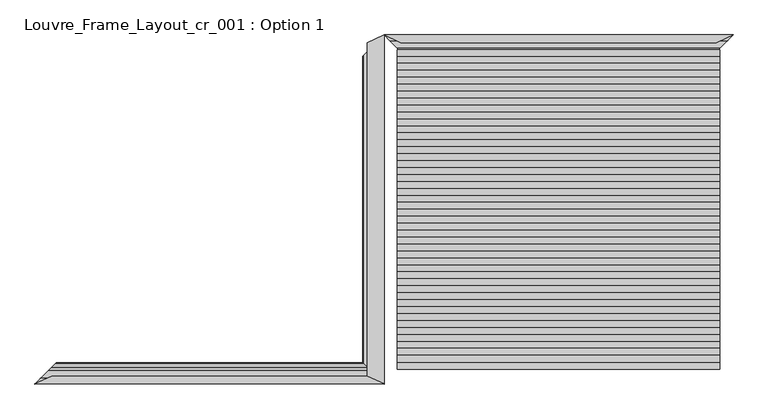
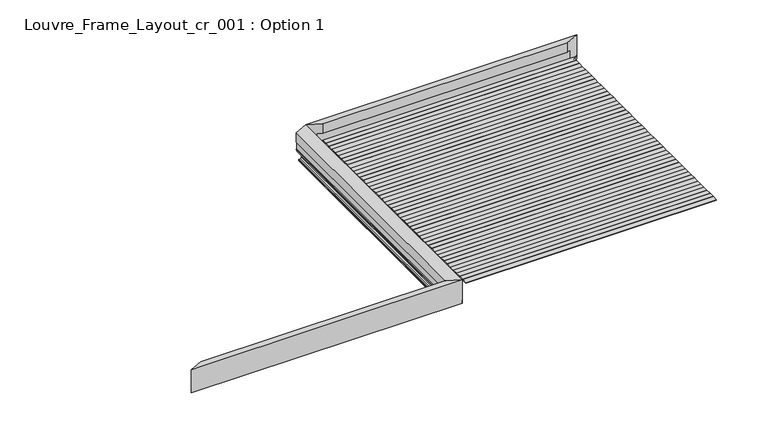
"""IFC4 building model written with IfcOpenShell, lengths in millimetres: proxy geometry, Louvre_Frame_Layout_cr_001 : Option 1."""

from ifc_helpers import new_model, si_unit, frame, origin, place, context, project, spatial, polyline, ellipse_curve, outline, extrude, source, transform, mapped, element, save
from ifc_brep_helpers import plane_surface, cylinder_surface, revolved_surface, advanced_brep


def louvre_frame_layout_cr_001_option_1_17656497(model_context):
    return source(origin(), model_context, "Body", "SolidModel", [
        advanced_brep(
        [(-57.3003291, -1802.6996709, 38.8575344), (0.0, -1860.0, 38.8575344), (0.0, -1860.0, 0.0), (-150.1057157, -1709.8942843, 0.0), (-215.1781305, -1644.8218695, 26.1870213), (-215.1781305, -1644.8218695, 39.3616238), (-214.5111661, -1645.4888339, 40.0285881), (-208.9378388, -1651.0621612, 40.0285881), (-208.2708744, -1651.7291256, 39.3616238), (-208.2708744, -1651.7291256, 25.5580129), (-163.205011, -1696.794989, 7.4266447), (-135.1800041, -1724.8199959, 2.0018958), (-56.9994313, -1803.0005687, 2.0018958), (-51.9945897, -1808.0054103, 7.0067374), (-51.9945897, -1808.0054103, 36.2093165), (-52.5783381, -1807.4216619, 36.793065), (-55.2974109, -1804.7025891, 36.793065), (-3444.7025891, -1804.7025891, 36.793065), (-3447.4216619, -1807.4216619, 36.793065), (-3448.0054103, -1808.0054103, 36.2093165), (-3448.0054103, -1808.0054103, 7.0067374), (-3443.0005687, -1803.0005687, 2.0018958), (-3364.8199959, -1724.8199959, 2.0018958), (-3336.794989, -1696.794989, 7.4266447), (-3291.7291256, -1651.7291256, 25.5580129), (-3291.7291256, -1651.7291256, 39.3616238), (-3291.0621612, -1651.0621612, 40.0285881), (-3285.4888339, -1645.4888339, 40.0285881), (-3284.8218695, -1644.8218695, 39.3616238), (-3284.8218695, -1644.8218695, 26.1870213), (-3349.8942843, -1709.8942843, 0.0), (-3500.0, -1860.0, 0.0), (-3500.0, -1860.0, 38.8575344), (-3442.6996709, -1802.6996709, 38.8575344), (-3330.2950263, -1780.0512704, 316.6276048), (-169.7049737, -1780.0512704, 316.6276048), (-169.7049737, -1780.0512704, 186.7535382), (-3330.2950263, -1780.0512704, 186.7535382), (-110.3674882, -1808.0054103, 186.7535382), (-3389.6325118, -1808.0054103, 186.7535382), (-110.3674882, -1808.0054103, 66.9467725), (-3389.6325118, -1808.0054103, 66.9467725), (-111.6885783, -1807.3830392, 66.3244014), (-3388.3114217, -1807.3830392, 66.3244014), (-117.3778622, -1804.7027935, 66.3244014), (-3382.6221378, -1804.7027935, 66.3244014), (-121.6298357, -1802.6996709, 64.3212787), (-3378.3701643, -1802.6996709, 64.3212787), (-121.6298357, -1802.6996709, 38.7959832), (-3378.3701643, -1802.6996709, 38.7959832), (0.0, -1860.0, 40.0285881), (0.0, -1860.0, 316.6276048), (-3500.0, -1860.0, 316.6276048), (-3500.0, -1860.0, 40.0285881)],
        [
            (0, 1),
            (1, 2),
            (2, 3),
            (3, 4),
            (4, 5),
            (5, 6, ellipse_curve(frame((-214.5111661, -1645.4888339, 39.3616238), z_axis=(0.7071067811864487, 0.7071067811866465, 0.0), x_axis=(0.7071067811866463, -0.7071067811864488, 0.0)), 0.94323, 0.6669644)),
            (6, 7),
            (7, 8, ellipse_curve(frame((-208.9378388, -1651.0621612, 39.3616238), z_axis=(0.7071067811864487, 0.7071067811866465, 0.0), x_axis=(0.7071067811866463, -0.7071067811864488, 0.0)), 0.94323, 0.6669644)),
            (8, 9),
            (9, 10),
            (10, 11, ellipse_curve(frame((-135.1880146, -1724.8119854, 77.0634267), z_axis=(-0.7071067811864487, -0.7071067811866465, 0.0), x_axis=(-0.7071067811866463, 0.7071067811864488, 0.0)), 106.1530357, 75.0615314)),
            (11, 12),
            (12, 13, ellipse_curve(frame((-56.9994313, -1803.0005687, 7.0067374), z_axis=(-0.7071067811864487, -0.7071067811866465, 0.0), x_axis=(-0.7071067811866463, 0.7071067811864488, 0.0)), 7.0779149, 5.0048416)),
            (13, 14),
            (14, 15, ellipse_curve(frame((-52.5783381, -1807.4216619, 36.2093165), z_axis=(-0.7071067811864487, -0.7071067811866465, 0.0), x_axis=(-0.7071067811866463, 0.7071067811864488, 0.0)), 0.825545, 0.5837485)),
            (15, 16),
            (16, 0, ellipse_curve(frame((-55.2974109, -1804.7025891, 38.7959832), z_axis=(0.7071067811864487, 0.7071067811866465, 0.0), x_axis=(0.7071067811866463, -0.7071067811864488, 0.0)), 2.832554, 2.0029182)),
            (17, 18),
            (18, 19, ellipse_curve(frame((-3447.4216619, -1807.4216619, 36.2093165), z_axis=(0.7071067811866565, -0.7071067811864387, 0.0), x_axis=(-0.7071067811864385, -0.7071067811866565, 0.0)), 0.825545, 0.5837485)),
            (19, 20),
            (20, 21, ellipse_curve(frame((-3443.0005687, -1803.0005687, 7.0067374), z_axis=(0.7071067811866565, -0.7071067811864387, 0.0), x_axis=(-0.7071067811864385, -0.7071067811866565, 0.0)), 7.0779149, 5.0048416)),
            (21, 22),
            (22, 23, ellipse_curve(frame((-3364.8119854, -1724.8119854, 77.0634267), z_axis=(0.7071067811866565, -0.7071067811864387, 0.0), x_axis=(-0.7071067811864385, -0.7071067811866565, 0.0)), 106.1530357, 75.0615314)),
            (23, 24),
            (24, 25),
            (25, 26, ellipse_curve(frame((-3291.0621612, -1651.0621612, 39.3616238), z_axis=(-0.7071067811866565, 0.7071067811864387, 0.0), x_axis=(0.7071067811864385, 0.7071067811866565, 0.0)), 0.94323, 0.6669644)),
            (26, 27),
            (27, 28, ellipse_curve(frame((-3285.4888339, -1645.4888339, 39.3616238), z_axis=(-0.7071067811866565, 0.7071067811864387, 0.0), x_axis=(0.7071067811864385, 0.7071067811866565, 0.0)), 0.94323, 0.6669644)),
            (28, 29),
            (29, 30),
            (30, 31),
            (31, 32),
            (32, 33),
            (33, 17, ellipse_curve(frame((-3444.7025891, -1804.7025891, 38.7959832), z_axis=(-0.7071067811866565, 0.7071067811864387, 0.0), x_axis=(0.7071067811864385, 0.7071067811866565, 0.0)), 2.832554, 2.0029182)),
            (34, 35),
            (35, 36),
            (36, 37),
            (37, 34),
            (36, 38),
            (38, 39),
            (39, 37),
            (38, 40),
            (40, 41),
            (41, 39),
            (40, 42, ellipse_curve(frame((-111.6885783, -1807.3830392, 66.9467725), z_axis=(0.42617915109134935, 0.90463878491642, 0.0), x_axis=(-0.9046387849164201, 0.42617915109134935, 0.0)), 1.460351, 0.6223711)),
            (42, 43),
            (43, 41, ellipse_curve(frame((-3388.3114217, -1807.3830392, 66.9467725), z_axis=(-0.42617915109109333, 0.9046387849165407, 0.0), x_axis=(-0.9046387849165406, -0.42617915109109333, 0.0)), 1.460351, 0.6223711)),
            (42, 44),
            (44, 45),
            (45, 43),
            (44, 46, ellipse_curve(frame((-117.3778622, -1804.7027935, 64.3212787), z_axis=(-0.42617915109134935, -0.90463878491642, 0.0), x_axis=(0.9046387849164201, -0.42617915109134935, 0.0)), 4.7001892, 2.0031227)),
            (46, 47),
            (47, 45, ellipse_curve(frame((-3382.6221378, -1804.7027935, 64.3212787), z_axis=(0.42617915109109333, -0.9046387849165407, 0.0), x_axis=(0.9046387849165406, 0.42617915109109333, 0.0)), 4.7001892, 2.0031227)),
            (46, 48),
            (48, 49),
            (49, 47),
            (16, 17),
            (33, 49),
            (48, 0),
            (15, 18),
            (14, 19),
            (13, 20),
            (12, 21),
            (11, 22),
            (10, 23),
            (9, 24),
            (8, 25),
            (7, 26),
            (6, 27),
            (5, 28),
            (4, 29),
            (3, 30),
            (2, 31),
            (1, 50),
            (50, 51),
            (51, 52),
            (52, 53),
            (53, 32),
            (51, 35),
            (34, 52),
            (32, 49),
            (48, 1),
        ],
        [
            plane_surface(frame((0.0, -1860.0, 40.0285881), z_axis=(0.7071067811864487, 0.7071067811866465, 0.0), x_axis=(0.0, 0.0, -1.0))),
            plane_surface(frame((-3241.9060249, -1601.9060249, 40.0285881), z_axis=(-0.7071067811866565, 0.7071067811864387, 0.0), x_axis=(0.0, 0.0, -1.0))),
            plane_surface(frame((0.0, -1780.0512704, 316.6276048), z_axis=(0.0, 1.0, 0.0), x_axis=(-1.0, 0.0, 0.0))),
            plane_surface(frame((0.0, -1780.0512704, 186.7535382), z_axis=(0.0, 0.0, -1.0), x_axis=(-1.0, 0.0, 0.0))),
            plane_surface(frame((0.0, -1808.0054103, 186.7535382), z_axis=(0.0, 1.0, 0.0), x_axis=(-1.0, 0.0, 0.0))),
            revolved_surface(polyline([(-3389.6325118541918, -1806.7606681, 66.9467725), (-110.36748814580852, -1806.7606681, 66.9467725)]), (0.0, -1807.3830392, 66.9467725), (-1.0, 0.0, 0.0)),
            plane_surface(frame((0.0, -1807.3830392, 66.3244014), z_axis=(0.0, 0.0, 1.0), x_axis=(-1.0, 0.0, 0.0))),
            cylinder_surface(frame((0.0, -1804.7027935, 64.3212787), z_axis=(1.0, 0.0, 0.0), x_axis=(0.0, 1.0, 0.0)), 2.0031227),
            plane_surface(frame((0.0, -1802.6996709, 64.3212787), z_axis=(0.0, 1.0, 0.0), x_axis=(-1.0, 0.0, 0.0))),
            cylinder_surface(frame((0.0, -1804.7025891, 38.7959832), z_axis=(1.0, 0.0, 0.0), x_axis=(0.0, 1.0, 0.0)), 2.0029182),
            plane_surface(frame((0.0, -1804.7025891, 36.793065), z_axis=(0.0, 0.0, -1.0), x_axis=(-1.0, 0.0, 0.0))),
            revolved_surface(polyline([(-3448.0054103676744, -1806.8379134, 36.2093165), (-51.99458963232527, -1806.8379134, 36.2093165)]), (0.0, -1807.4216619, 36.2093165), (-1.0, 0.0, 0.0)),
            plane_surface(frame((0.0, -1808.0054103, 36.2093165), z_axis=(0.0, 1.0, 0.0), x_axis=(-1.0, 0.0, 0.0))),
            revolved_surface(polyline([(-3448.00541032245, -1797.9957271, 7.0067374), (-51.99458967754799, -1797.9957271, 7.0067374)]), (0.0, -1803.0005687, 7.0067374), (-1.0, 0.0, 0.0)),
            plane_surface(frame((0.0, -1803.0005687, 2.0018958), z_axis=(0.0, 0.0, 1.0), x_axis=(-1.0, 0.0, 0.0))),
            revolved_surface(polyline([(-3439.8735167869963, -1649.750454, 77.0634267), (-60.12648321298185, -1649.750454, 77.0634267)]), (0.0, -1724.8119854, 77.0634267), (-1.0, 0.0, 0.0)),
            plane_surface(frame((0.0, -1696.794989, 7.4266447), z_axis=(0.0, -0.37325372835204085, 0.9277293001039155), x_axis=(-1.0, 0.0, 0.0))),
            plane_surface(frame((0.0, -1651.7291256, 25.5580129), z_axis=(0.0, -1.0, 0.0), x_axis=(-1.0, 0.0, 0.0))),
            cylinder_surface(frame((0.0, -1651.0621612, 39.3616238), z_axis=(1.0, 0.0, 0.0), x_axis=(0.0, 1.0, 0.0)), 0.6669644),
            plane_surface(frame((0.0, -1651.0621612, 40.0285881), z_axis=(0.0, 0.0, 1.0), x_axis=(-1.0, 0.0, 0.0))),
            cylinder_surface(frame((0.0, -1645.4888339, 39.3616238), z_axis=(1.0, 0.0, 0.0), x_axis=(0.0, -1.0, 0.0)), 0.6669644),
            plane_surface(frame((0.0, -1644.8218695, 39.3616238), z_axis=(0.0, 1.0, 0.0), x_axis=(-1.0, 0.0, 0.0))),
            plane_surface(frame((0.0, -1644.8218695, 26.1870213), z_axis=(0.0, 0.3733323631651337, -0.927697659053604), x_axis=(-1.0, 0.0, 0.0))),
            plane_surface(frame((0.0, -1709.8942843, 0.0), z_axis=(0.0, 0.0, -1.0), x_axis=(-1.0, 0.0, 0.0))),
            plane_surface(frame((0.0, -1860.0, 0.0), z_axis=(0.0, -1.0, 0.0), x_axis=(-1.0, 0.0, 0.0))),
            plane_surface(frame((0.0, -1860.0, 316.6276048), z_axis=(0.0, 0.0, 1.0), x_axis=(-1.0, 0.0, 0.0))),
            plane_surface(frame((-3500.0, -1860.0, 38.8575344), z_axis=(0.0, 0.0, 1.0), x_axis=(0.9046387849165407, 0.42617915109109333, 0.0))),
            plane_surface(frame((-3330.2950263, -1780.0512704, 398.4370867), z_axis=(-0.42617915109109333, 0.9046387849165407, 0.0), x_axis=(0.0, 0.0, -1.0))),
            plane_surface(frame((0.0, -1780.0512704, 38.8575344), z_axis=(0.0, 0.0, 1.0), x_axis=(-1.0, 0.0, 0.0))),
            plane_surface(frame((0.0, -1860.0, 398.4370867), z_axis=(0.42617915109134935, 0.90463878491642, 0.0), x_axis=(0.0, 0.0, -1.0))),
        ],
        [
            (0, [[1, 2, 3, 4, 5, 6, 7, 8, 9, 10, 11, 12, 13, 14, 15, 16, 17]]),
            (1, [[18, 19, 20, 21, 22, 23, 24, 25, 26, 27, 28, 29, 30, 31, 32, 33, 34]]),
            (2, [[35, 36, 37, 38]]),
            (3, [[-37, 39, 40, 41]]),
            (4, [[-40, 42, 43, 44]]),
            (5, [[-43, 45, 46, 47]]),
            (6, [[-46, 48, 49, 50]]),
            (7, [[-49, 51, 52, 53]]),
            (8, [[-52, 54, 55, 56]]),
            (9, [[57, -34, 58, -55, 59, -17]]),
            (10, [[60, -18, -57, -16]]),
            (11, [[61, -19, -60, -15]]),
            (12, [[62, -20, -61, -14]]),
            (13, [[63, -21, -62, -13]]),
            (14, [[64, -22, -63, -12]]),
            (15, [[65, -23, -64, -11]]),
            (16, [[66, -24, -65, -10]]),
            (17, [[67, -25, -66, -9]]),
            (18, [[68, -26, -67, -8]]),
            (19, [[69, -27, -68, -7]]),
            (20, [[70, -28, -69, -6]]),
            (21, [[71, -29, -70, -5]]),
            (22, [[72, -30, -71, -4]]),
            (23, [[-31, -72, -3, 73]]),
            (24, [[-2, 74, 75, 76, 77, 78, -32, -73]]),
            (25, [[79, -35, 80, -76]]),
            (26, [[-58, -33, 81]]),
            (27, [[-78, -77, -80, -38, -41, -44, -47, -50, -53, -56, -81]]),
            (28, [[-1, -59, 82]]),
            (29, [[-54, -51, -48, -45, -42, -39, -36, -79, -75, -74, -82]]),
        ],
    ),
        advanced_brep(
        [(-145.2950918, -1714.7049082, 40.0285881), (-142.500644, -1717.499356, 38.8575344), (-64.3578923, -1795.6421077, 38.8575344), (-62.7201461, -1797.2798539, 37.2197882), (-62.7201461, -1797.2798539, 30.0771301), (-51.9945897, -1808.0054103, 30.0771301), (-51.9945897, -1808.0054103, 7.0067374), (-56.9994313, -1803.0005687, 2.0018958), (-135.1800041, -1724.8199959, 2.0018958), (-163.205011, -1696.794989, 7.4266447), (-208.2708744, -1651.7291256, 25.5580129), (-208.2708744, -1651.7291256, 39.3616238), (-208.9378388, -1651.0621612, 40.0285881), (-214.5111661, -1645.4888339, 40.0285881), (-215.1781305, -1644.8218695, 39.3616238), (-215.1781305, -1644.8218695, 26.5150991), (-214.6113147, -1645.3886853, 25.9589183), (-150.1057157, -1709.8942843, 0.0), (0.0, -1860.0, 0.0), (0.0, -1860.0, 36.793065), (0.0, -1860.0, 40.0285881), (0.0, 1640.0, 40.0285881), (0.0, 1640.0, 36.793065), (0.0, 1640.0, 0.0), (-150.1057157, 1489.9379038, 0.0), (-214.6113147, 1425.4510496, 25.9589183), (-215.1781305, 1424.8843985, 26.5150991), (-215.1781305, 1424.8843985, 39.3616238), (-214.5111661, 1425.5511691, 40.0285881), (-208.9378388, 1431.1228768, 40.0285881), (-208.2708744, 1431.7896474, 39.3616238), (-208.2708744, 1431.7896474, 25.5580129), (-163.205011, 1476.842415, 7.4266447), (-135.1800041, 1504.8592781, 2.0018958), (-56.9994313, 1583.0171323, 2.0018958), (-51.9945897, 1588.0205195, 7.0067374), (-51.9945897, 1588.0205195, 30.0771301), (-62.7201461, 1577.2980799, 30.0771301), (-62.7201461, 1577.2980799, 37.2197882), (-64.3578923, 1575.6608096, 38.8575344), (-142.500644, 1497.5407655, 38.8575344), (-145.2950918, 1494.7471297, 40.0285881), (-145.2950918, -1791.5508688, 40.0285881), (-145.2950918, 1571.5508688, 40.0285881), (0.0, 1640.0, 315.1230176), (-169.7049737, 1560.0512704, 315.1230176), (-169.7049737, -1780.0512704, 315.1230176), (0.0, -1860.0, 315.1230176), (-147.9326449, -1790.3083064, 42.7736155), (-147.9326449, 1570.3083064, 42.7736155), (-169.6981451, -1780.0544873, 79.2796958), (-169.6981451, 1560.0544873, 79.2796958), (-169.6981451, -1780.0544873, 88.3970766), (-169.6981451, 1560.0544873, 88.3970766), (-163.2806322, -1783.0778048, 88.3970766), (-163.2806322, 1563.0778048, 88.3970766), (-163.2806322, -1783.0778048, 186.2985422), (-163.2806322, 1563.0778048, 186.2985422), (-169.7049737, -1780.0512704, 186.2985422), (-169.7049737, 1560.0512704, 186.2985422)],
        [
            (0, 1, ellipse_curve(frame((-140.6934069, -1719.3065931, 47.0897633), z_axis=(-0.7071067811865105, -0.7071067811865845, 0.0), x_axis=(0.7071067811865845, -0.7071067811865106, 0.0)), 11.9193707, 8.4282679)),
            (1, 2),
            (2, 3, ellipse_curve(frame((-64.3578923, -1795.6421077, 37.2197882), z_axis=(0.7071067811865105, 0.7071067811865845, 0.0), x_axis=(-0.7071067811865845, 0.7071067811865106, 0.0)), 2.3161229, 1.6377462)),
            (3, 4),
            (4, 5),
            (5, 6),
            (6, 7, ellipse_curve(frame((-56.9994313, -1803.0005687, 7.0067374), z_axis=(0.7071067811865105, 0.7071067811865845, 0.0), x_axis=(-0.7071067811865845, 0.7071067811865106, 0.0)), 7.0779149, 5.0048416)),
            (7, 8),
            (8, 9, ellipse_curve(frame((-135.1880146, -1724.8119854, 77.0634267), z_axis=(0.7071067811865105, 0.7071067811865845, 0.0), x_axis=(-0.7071067811865845, 0.7071067811865106, 0.0)), 106.1530357, 75.0615314)),
            (9, 10),
            (10, 11),
            (11, 12, ellipse_curve(frame((-208.9378388, -1651.0621612, 39.3616238), z_axis=(-0.7071067811865105, -0.7071067811865845, 0.0), x_axis=(0.7071067811865845, -0.7071067811865106, 0.0)), 0.94323, 0.6669644)),
            (12, 13),
            (13, 14, ellipse_curve(frame((-214.5111661, -1645.4888339, 39.3616238), z_axis=(-0.7071067811865105, -0.7071067811865845, 0.0), x_axis=(0.7071067811865845, -0.7071067811865106, 0.0)), 0.94323, 0.6669644)),
            (14, 15),
            (15, 16, ellipse_curve(frame((-214.2245487, -1645.7754513, 26.9199973), z_axis=(-0.7071067811865105, -0.7071067811865845, 0.0), x_axis=(0.7071067811865845, -0.7071067811865106, 0.0)), 1.4651013, 1.035983)),
            (16, 17),
            (17, 18),
            (18, 19),
            (19, 20),
            (20, 0),
            (21, 22),
            (22, 23),
            (23, 24),
            (24, 25),
            (25, 26, ellipse_curve(frame((-214.2245487, 1425.8377032, 26.9199973), z_axis=(-0.707004019078356, 0.7072095283627419, 0.0), x_axis=(-0.7072095283627419, -0.7070040190783559, 0.0)), 1.4648884, 1.035983)),
            (26, 27),
            (27, 28, ellipse_curve(frame((-214.5111661, 1425.5511691, 39.3616238), z_axis=(-0.707004019078356, 0.7072095283627419, 0.0), x_axis=(-0.7072095283627419, -0.7070040190783559, 0.0)), 0.943093, 0.6669644)),
            (28, 29),
            (29, 30, ellipse_curve(frame((-208.9378388, 1431.1228768, 39.3616238), z_axis=(-0.707004019078356, 0.7072095283627419, 0.0), x_axis=(-0.7072095283627419, -0.7070040190783559, 0.0)), 0.943093, 0.6669644)),
            (30, 31),
            (31, 32),
            (32, 33, ellipse_curve(frame((-135.1880146, 1504.85127, 77.0634267), z_axis=(0.707004019078356, -0.7072095283627419, 0.0), x_axis=(0.7072095283627419, 0.7070040190783559, 0.0)), 106.1376132, 75.0615314)),
            (33, 34),
            (34, 35, ellipse_curve(frame((-56.9994313, 1583.0171323, 7.0067374), z_axis=(0.707004019078356, -0.7072095283627419, 0.0), x_axis=(0.7072095283627419, 0.7070040190783559, 0.0)), 7.0768866, 5.0048416)),
            (35, 36),
            (36, 37),
            (37, 38),
            (38, 39, ellipse_curve(frame((-64.3578923, 1575.6608096, 37.2197882), z_axis=(0.707004019078356, -0.7072095283627419, 0.0), x_axis=(0.7072095283627419, 0.7070040190783559, 0.0)), 2.3157864, 1.6377462)),
            (39, 40),
            (40, 41, ellipse_curve(frame((-140.6934069, 1499.3474774, 47.0897633), z_axis=(-0.707004019078356, 0.7072095283627419, 0.0), x_axis=(-0.7072095283627419, -0.7070040190783559, 0.0)), 11.917639, 8.4282679)),
            (41, 21),
            (20, 42),
            (42, 0),
            (41, 43),
            (43, 21),
            (44, 45),
            (45, 46),
            (46, 47),
            (47, 44),
            (47, 20),
            (18, 23),
            (21, 44),
            (17, 24),
            (16, 25),
            (15, 26),
            (14, 27),
            (13, 28),
            (12, 29),
            (11, 30),
            (10, 31),
            (9, 32),
            (8, 33),
            (7, 34),
            (6, 35),
            (5, 36),
            (4, 37),
            (3, 38),
            (2, 39),
            (1, 40),
            (42, 48, ellipse_curve(frame((-140.6934069, -1793.718742, 47.0897633), z_axis=(0.42617915109134047, 0.9046387849164242, 0.0), x_axis=(0.9046387849164244, -0.4261791510913402, 0.0)), 9.3167218, 8.4282679)),
            (48, 49),
            (49, 43, ellipse_curve(frame((-140.6934069, 1573.718742, 47.0897633), z_axis=(0.4261791510912675, -0.9046387849164587, 0.0), x_axis=(-0.9046387849164589, -0.4261791510912672, 0.0)), 9.3167218, 8.4282679)),
            (50, 51),
            (51, 49),
            (48, 50),
            (52, 53),
            (53, 51),
            (50, 52),
            (54, 55),
            (55, 53),
            (52, 54),
            (56, 57),
            (57, 55),
            (54, 56),
            (58, 59),
            (59, 57),
            (56, 58),
            (45, 59),
            (58, 46),
        ],
        [
            plane_surface(frame((-215.1781305, -1644.8218695, 40.0285881), z_axis=(-0.7071067811865105, -0.7071067811865845, 0.0), x_axis=(0.0, 0.0, -1.0))),
            plane_surface(frame((0.0, 1640.0, 40.0285881), z_axis=(-0.707004019078356, 0.7072095283627419, 0.0), x_axis=(0.0, 0.0, -1.0))),
            plane_surface(frame((0.0, -1860.0, 40.0285881), z_axis=(0.0, 0.0, -1.0), x_axis=(0.7071067811865845, -0.7071067811865105, 0.0))),
            plane_surface(frame((-258.0939751, 1381.9810249, 40.0285881), z_axis=(0.0, 0.0, -1.0), x_axis=(0.0, 1.0, 0.0))),
            plane_surface(frame((-169.7049737, -1860.0, 315.1230176), z_axis=(0.0, 0.0, 1.0), x_axis=(0.0, 1.0, 0.0))),
            plane_surface(frame((0.0, -1860.0, 315.1230176), z_axis=(1.0, 0.0, 0.0), x_axis=(0.0, 1.0, 0.0))),
            plane_surface(frame((0.0, -1860.0, 0.0), z_axis=(0.0, 0.0, -1.0), x_axis=(0.0, 1.0, 0.0))),
            plane_surface(frame((-150.1057157, -1860.0, 0.0), z_axis=(-0.3733323631651337, 0.0, -0.9276976590536039), x_axis=(0.0, 1.0, 0.0))),
            cylinder_surface(frame((-214.2245487, -1860.0, 26.9199973), z_axis=(0.0, -1.0, 0.0), x_axis=(-1.0, 0.0, 0.0)), 1.035983),
            plane_surface(frame((-215.1781305, -1860.0, 26.5150991), z_axis=(-1.0, 0.0, 0.0), x_axis=(0.0, 1.0, 0.0))),
            cylinder_surface(frame((-214.5111661, -1860.0, 39.3616238), z_axis=(0.0, -1.0, 0.0), x_axis=(1.0, 0.0, 0.0)), 0.6669644),
            plane_surface(frame((-214.5111661, -1860.0, 40.0285881), z_axis=(0.0, 0.0, 1.0), x_axis=(0.0, 1.0, 0.0))),
            cylinder_surface(frame((-208.9378388, -1860.0, 39.3616238), z_axis=(0.0, -1.0, 0.0), x_axis=(-1.0, 0.0, 0.0)), 0.6669644),
            plane_surface(frame((-208.2708744, -1860.0, 39.3616238), z_axis=(1.0, 0.0, 0.0), x_axis=(0.0, 1.0, 0.0))),
            plane_surface(frame((-208.2708744, -1860.0, 25.5580129), z_axis=(0.37325372835204107, 0.0, 0.9277293001039154), x_axis=(0.0, 1.0, 0.0))),
            revolved_surface(polyline([(-210.249546, 1579.8909891077842, 77.0634267), (-210.249546, -1799.8735167870036, 77.0634267)]), (-135.1880146, -1860.0, 77.0634267), (0.0, 1.0, 0.0)),
            plane_surface(frame((-135.1800041, -1860.0, 2.0018958), z_axis=(0.0, 0.0, 1.0), x_axis=(0.0, 1.0, 0.0))),
            revolved_surface(polyline([(-62.0042729, 1588.0205195687618, 7.0067374), (-62.0042729, -1808.005410322451, 7.0067374)]), (-56.9994313, -1860.0, 7.0067374), (0.0, 1.0, 0.0)),
            plane_surface(frame((-51.9945897, -1860.0, 7.0067374), z_axis=(-1.0, 0.0, 0.0), x_axis=(0.0, 1.0, 0.0))),
            plane_surface(frame((-51.9945897, -1860.0, 30.0771301), z_axis=(0.0, 0.0, -1.0), x_axis=(0.0, 1.0, 0.0))),
            plane_surface(frame((-62.7201461, -1860.0, 30.0771301), z_axis=(-1.0, 0.0, 0.0), x_axis=(0.0, 1.0, 0.0))),
            revolved_surface(polyline([(-65.9956385, 1577.2980798999997, 37.2197882), (-65.9956385, -1797.2798539086514, 37.2197882)]), (-64.3578923, -1860.0, 37.2197882), (0.0, 1.0, 0.0)),
            plane_surface(frame((-64.3578923, -1860.0, 38.8575344), z_axis=(0.0, 0.0, -1.0), x_axis=(0.0, 1.0, 0.0))),
            cylinder_surface(frame((-140.6934069, -1860.0, 47.0897633), z_axis=(0.0, -1.0, 0.0), x_axis=(-1.0, 0.0, 0.0)), 8.4282679),
            plane_surface(frame((-147.9326449, -1860.0, 42.7736155), z_axis=(-0.8589235852565517, 0.0, -0.5121037733604697), x_axis=(0.0, 1.0, 0.0))),
            plane_surface(frame((-169.6981451, -1860.0, 79.2796958), z_axis=(-1.0, 0.0, 0.0), x_axis=(0.0, 1.0, 0.0))),
            plane_surface(frame((-169.6981451, -1860.0, 88.3970766), z_axis=(0.0, 0.0, 1.0), x_axis=(0.0, 1.0, 0.0))),
            plane_surface(frame((-163.2806322, -1860.0, 88.3970766), z_axis=(-1.0, 0.0, 0.0), x_axis=(0.0, 1.0, 0.0))),
            plane_surface(frame((-163.2806322, -1860.0, 186.2985422), z_axis=(0.0, 0.0, -1.0), x_axis=(0.0, 1.0, 0.0))),
            plane_surface(frame((-169.7049737, -1860.0, 186.2985422), z_axis=(-1.0, 0.0, 0.0), x_axis=(0.0, 1.0, 0.0))),
            plane_surface(frame((-169.7049737, -1780.0512704, 355.5911694), z_axis=(-0.42617915109134047, -0.9046387849164242, 0.0), x_axis=(0.0, 0.0, -1.0))),
            plane_surface(frame((0.0, 1640.0, 355.5911694), z_axis=(-0.4261791510912675, 0.9046387849164587, 0.0), x_axis=(0.0, 0.0, -1.0))),
        ],
        [
            (0, [[1, 2, 3, 4, 5, 6, 7, 8, 9, 10, 11, 12, 13, 14, 15, 16, 17, 18, 19, 20, 21]]),
            (1, [[22, 23, 24, 25, 26, 27, 28, 29, 30, 31, 32, 33, 34, 35, 36, 37, 38, 39, 40, 41, 42]]),
            (2, [[43, 44, -21]]),
            (3, [[45, 46, -42]]),
            (4, [[47, 48, 49, 50]]),
            (5, [[51, -20, -19, 52, -23, -22, 53, -50]]),
            (6, [[-18, 54, -24, -52]]),
            (7, [[55, -25, -54, -17]]),
            (8, [[56, -26, -55, -16]]),
            (9, [[57, -27, -56, -15]]),
            (10, [[58, -28, -57, -14]]),
            (11, [[59, -29, -58, -13]]),
            (12, [[60, -30, -59, -12]]),
            (13, [[61, -31, -60, -11]]),
            (14, [[62, -32, -61, -10]]),
            (15, [[63, -33, -62, -9]]),
            (16, [[64, -34, -63, -8]]),
            (17, [[65, -35, -64, -7]]),
            (18, [[66, -36, -65, -6]]),
            (19, [[67, -37, -66, -5]]),
            (20, [[68, -38, -67, -4]]),
            (21, [[69, -39, -68, -3]]),
            (22, [[70, -40, -69, -2]]),
            (23, [[-44, 71, 72, 73, -45, -41, -70, -1]]),
            (24, [[74, 75, -72, 76]]),
            (25, [[77, 78, -74, 79]]),
            (26, [[80, 81, -77, 82]]),
            (27, [[83, 84, -80, 85]]),
            (28, [[86, 87, -83, 88]]),
            (29, [[-48, 89, -86, 90]]),
            (30, [[-90, -88, -85, -82, -79, -76, -71, -43, -51, -49]]),
            (31, [[-53, -46, -73, -75, -78, -81, -84, -87, -89, -47]]),
        ],
    ),
        extrude(outline(polyline([(3368.0, -1573.3111111), (3368.0, -1643.3111111), (132.0, -1643.3111111), (132.0, -1573.3111111), (3368.0, -1573.3111111)])), frame((0.0, 0.0, 136.6041163), z_axis=(0.0, 0.0, 1.0), x_axis=(1.0, 0.0, 0.0)), (0.0, 0.0, 1.0), 10.0),
        extrude(outline(polyline([(3368.0, -1503.6222222), (3368.0, -1573.6222222), (132.0, -1573.6222222), (132.0, -1503.6222222), (3368.0, -1503.6222222)])), frame((0.0, 0.0, 136.6041163), z_axis=(0.0, 0.0, 1.0), x_axis=(1.0, 0.0, 0.0)), (0.0, 0.0, 1.0), 10.0),
        extrude(outline(polyline([(3368.0, -1433.9333333), (3368.0, -1503.9333333), (132.0, -1503.9333333), (132.0, -1433.9333333), (3368.0, -1433.9333333)])), frame((0.0, 0.0, 136.6041163), z_axis=(0.0, 0.0, 1.0), x_axis=(1.0, 0.0, 0.0)), (0.0, 0.0, 1.0), 10.0),
        extrude(outline(polyline([(3368.0, -1364.2444444), (3368.0, -1434.2444444), (132.0, -1434.2444444), (132.0, -1364.2444444), (3368.0, -1364.2444444)])), frame((0.0, 0.0, 136.6041163), z_axis=(0.0, 0.0, 1.0), x_axis=(1.0, 0.0, 0.0)), (0.0, 0.0, 1.0), 10.0),
        extrude(outline(polyline([(3368.0, -1294.5555556), (3368.0, -1364.5555556), (132.0, -1364.5555556), (132.0, -1294.5555556), (3368.0, -1294.5555556)])), frame((0.0, 0.0, 136.6041163), z_axis=(0.0, 0.0, 1.0), x_axis=(1.0, 0.0, 0.0)), (0.0, 0.0, 1.0), 10.0),
        extrude(outline(polyline([(3368.0, -1224.8666667), (3368.0, -1294.8666667), (132.0, -1294.8666667), (132.0, -1224.8666667), (3368.0, -1224.8666667)])), frame((0.0, 0.0, 136.6041163), z_axis=(0.0, 0.0, 1.0), x_axis=(1.0, 0.0, 0.0)), (0.0, 0.0, 1.0), 10.0),
        extrude(outline(polyline([(3368.0, -1155.1777778), (3368.0, -1225.1777778), (132.0, -1225.1777778), (132.0, -1155.1777778), (3368.0, -1155.1777778)])), frame((0.0, 0.0, 136.6041163), z_axis=(0.0, 0.0, 1.0), x_axis=(1.0, 0.0, 0.0)), (0.0, 0.0, 1.0), 10.0),
        extrude(outline(polyline([(3368.0, -1085.4888889), (3368.0, -1155.4888889), (132.0, -1155.4888889), (132.0, -1085.4888889), (3368.0, -1085.4888889)])), frame((0.0, 0.0, 136.6041163), z_axis=(0.0, 0.0, 1.0), x_axis=(1.0, 0.0, 0.0)), (0.0, 0.0, 1.0), 10.0),
        extrude(outline(polyline([(3368.0, -1015.8), (3368.0, -1085.8), (132.0, -1085.8), (132.0, -1015.8), (3368.0, -1015.8)])), frame((0.0, 0.0, 136.6041163), z_axis=(0.0, 0.0, 1.0), x_axis=(1.0, 0.0, 0.0)), (0.0, 0.0, 1.0), 10.0),
        extrude(outline(polyline([(3368.0, -946.1111111), (3368.0, -1016.1111111), (132.0, -1016.1111111), (132.0, -946.1111111), (3368.0, -946.1111111)])), frame((0.0, 0.0, 136.6041163), z_axis=(0.0, 0.0, 1.0), x_axis=(1.0, 0.0, 0.0)), (0.0, 0.0, 1.0), 10.0),
        extrude(outline(polyline([(3368.0, -876.4222222), (3368.0, -946.4222222), (132.0, -946.4222222), (132.0, -876.4222222), (3368.0, -876.4222222)])), frame((0.0, 0.0, 136.6041163), z_axis=(0.0, 0.0, 1.0), x_axis=(1.0, 0.0, 0.0)), (0.0, 0.0, 1.0), 10.0),
        extrude(outline(polyline([(3368.0, -806.7333333), (3368.0, -876.7333333), (132.0, -876.7333333), (132.0, -806.7333333), (3368.0, -806.7333333)])), frame((0.0, 0.0, 136.6041163), z_axis=(0.0, 0.0, 1.0), x_axis=(1.0, 0.0, 0.0)), (0.0, 0.0, 1.0), 10.0),
        extrude(outline(polyline([(3368.0, -737.0444444), (3368.0, -807.0444444), (132.0, -807.0444444), (132.0, -737.0444444), (3368.0, -737.0444444)])), frame((0.0, 0.0, 136.6041163), z_axis=(0.0, 0.0, 1.0), x_axis=(1.0, 0.0, 0.0)), (0.0, 0.0, 1.0), 10.0),
        extrude(outline(polyline([(3368.0, -667.3555556), (3368.0, -737.3555556), (132.0, -737.3555556), (132.0, -667.3555556), (3368.0, -667.3555556)])), frame((0.0, 0.0, 136.6041163), z_axis=(0.0, 0.0, 1.0), x_axis=(1.0, 0.0, 0.0)), (0.0, 0.0, 1.0), 10.0),
        extrude(outline(polyline([(3368.0, -597.6666667), (3368.0, -667.6666667), (132.0, -667.6666667), (132.0, -597.6666667), (3368.0, -597.6666667)])), frame((0.0, 0.0, 136.6041163), z_axis=(0.0, 0.0, 1.0), x_axis=(1.0, 0.0, 0.0)), (0.0, 0.0, 1.0), 10.0),
        extrude(outline(polyline([(3368.0, -527.9777778), (3368.0, -597.9777778), (132.0, -597.9777778), (132.0, -527.9777778), (3368.0, -527.9777778)])), frame((0.0, 0.0, 136.6041163), z_axis=(0.0, 0.0, 1.0), x_axis=(1.0, 0.0, 0.0)), (0.0, 0.0, 1.0), 10.0),
        extrude(outline(polyline([(3368.0, -458.2888889), (3368.0, -528.2888889), (132.0, -528.2888889), (132.0, -458.2888889), (3368.0, -458.2888889)])), frame((0.0, 0.0, 136.6041163), z_axis=(0.0, 0.0, 1.0), x_axis=(1.0, 0.0, 0.0)), (0.0, 0.0, 1.0), 10.0),
        extrude(outline(polyline([(3368.0, -388.6), (3368.0, -458.6), (132.0, -458.6), (132.0, -388.6), (3368.0, -388.6)])), frame((0.0, 0.0, 136.6041163), z_axis=(0.0, 0.0, 1.0), x_axis=(1.0, 0.0, 0.0)), (0.0, 0.0, 1.0), 10.0),
        extrude(outline(polyline([(3368.0, -318.9111111), (3368.0, -388.9111111), (132.0, -388.9111111), (132.0, -318.9111111), (3368.0, -318.9111111)])), frame((0.0, 0.0, 136.6041163), z_axis=(0.0, 0.0, 1.0), x_axis=(1.0, 0.0, 0.0)), (0.0, 0.0, 1.0), 10.0),
        extrude(outline(polyline([(3368.0, -249.2222222), (3368.0, -319.2222222), (132.0, -319.2222222), (132.0, -249.2222222), (3368.0, -249.2222222)])), frame((0.0, 0.0, 136.6041163), z_axis=(0.0, 0.0, 1.0), x_axis=(1.0, 0.0, 0.0)), (0.0, 0.0, 1.0), 10.0),
        extrude(outline(polyline([(3368.0, -179.5333333), (3368.0, -249.5333333), (132.0, -249.5333333), (132.0, -179.5333333), (3368.0, -179.5333333)])), frame((0.0, 0.0, 136.6041163), z_axis=(0.0, 0.0, 1.0), x_axis=(1.0, 0.0, 0.0)), (0.0, 0.0, 1.0), 10.0),
        extrude(outline(polyline([(3368.0, -109.8444444), (3368.0, -179.8444444), (132.0, -179.8444444), (132.0, -109.8444444), (3368.0, -109.8444444)])), frame((0.0, 0.0, 136.6041163), z_axis=(0.0, 0.0, 1.0), x_axis=(1.0, 0.0, 0.0)), (0.0, 0.0, 1.0), 10.0),
        extrude(outline(polyline([(3368.0, -40.1555556), (3368.0, -110.1555556), (132.0, -110.1555556), (132.0, -40.1555556), (3368.0, -40.1555556)])), frame((0.0, 0.0, 136.6041163), z_axis=(0.0, 0.0, 1.0), x_axis=(1.0, 0.0, 0.0)), (0.0, 0.0, 1.0), 10.0),
        extrude(outline(polyline([(3368.0, 29.5333333), (3368.0, -40.4666667), (132.0, -40.4666667), (132.0, 29.5333333), (3368.0, 29.5333333)])), frame((0.0, 0.0, 136.6041163), z_axis=(0.0, 0.0, 1.0), x_axis=(1.0, 0.0, 0.0)), (0.0, 0.0, 1.0), 10.0),
        extrude(outline(polyline([(3368.0, 99.2222222), (3368.0, 29.2222222), (132.0, 29.2222222), (132.0, 99.2222222), (3368.0, 99.2222222)])), frame((0.0, 0.0, 136.6041163), z_axis=(0.0, 0.0, 1.0), x_axis=(1.0, 0.0, 0.0)), (0.0, 0.0, 1.0), 10.0),
        extrude(outline(polyline([(3368.0, 168.9111111), (3368.0, 98.9111111), (132.0, 98.9111111), (132.0, 168.9111111), (3368.0, 168.9111111)])), frame((0.0, 0.0, 136.6041163), z_axis=(0.0, 0.0, 1.0), x_axis=(1.0, 0.0, 0.0)), (0.0, 0.0, 1.0), 10.0),
        extrude(outline(polyline([(3368.0, 238.6), (3368.0, 168.6), (132.0, 168.6), (132.0, 238.6), (3368.0, 238.6)])), frame((0.0, 0.0, 136.6041163), z_axis=(0.0, 0.0, 1.0), x_axis=(1.0, 0.0, 0.0)), (0.0, 0.0, 1.0), 10.0),
        extrude(outline(polyline([(3368.0, 308.2888889), (3368.0, 238.2888889), (132.0, 238.2888889), (132.0, 308.2888889), (3368.0, 308.2888889)])), frame((0.0, 0.0, 136.6041163), z_axis=(0.0, 0.0, 1.0), x_axis=(1.0, 0.0, 0.0)), (0.0, 0.0, 1.0), 10.0),
        extrude(outline(polyline([(3368.0, 377.9777778), (3368.0, 307.9777778), (132.0, 307.9777778), (132.0, 377.9777778), (3368.0, 377.9777778)])), frame((0.0, 0.0, 136.6041163), z_axis=(0.0, 0.0, 1.0), x_axis=(1.0, 0.0, 0.0)), (0.0, 0.0, 1.0), 10.0),
        extrude(outline(polyline([(3368.0, 447.6666667), (3368.0, 377.6666667), (132.0, 377.6666667), (132.0, 447.6666667), (3368.0, 447.6666667)])), frame((0.0, 0.0, 136.6041163), z_axis=(0.0, 0.0, 1.0), x_axis=(1.0, 0.0, 0.0)), (0.0, 0.0, 1.0), 10.0),
        extrude(outline(polyline([(3368.0, 517.3555556), (3368.0, 447.3555556), (132.0, 447.3555556), (132.0, 517.3555556), (3368.0, 517.3555556)])), frame((0.0, 0.0, 136.6041163), z_axis=(0.0, 0.0, 1.0), x_axis=(1.0, 0.0, 0.0)), (0.0, 0.0, 1.0), 10.0),
        extrude(outline(polyline([(3368.0, 587.0444444), (3368.0, 517.0444444), (132.0, 517.0444444), (132.0, 587.0444444), (3368.0, 587.0444444)])), frame((0.0, 0.0, 136.6041163), z_axis=(0.0, 0.0, 1.0), x_axis=(1.0, 0.0, 0.0)), (0.0, 0.0, 1.0), 10.0),
        extrude(outline(polyline([(3368.0, 656.7333333), (3368.0, 586.7333333), (132.0, 586.7333333), (132.0, 656.7333333), (3368.0, 656.7333333)])), frame((0.0, 0.0, 136.6041163), z_axis=(0.0, 0.0, 1.0), x_axis=(1.0, 0.0, 0.0)), (0.0, 0.0, 1.0), 10.0),
        extrude(outline(polyline([(3368.0, 726.4222222), (3368.0, 656.4222222), (132.0, 656.4222222), (132.0, 726.4222222), (3368.0, 726.4222222)])), frame((0.0, 0.0, 136.6041163), z_axis=(0.0, 0.0, 1.0), x_axis=(1.0, 0.0, 0.0)), (0.0, 0.0, 1.0), 10.0),
        extrude(outline(polyline([(3368.0, 796.1111111), (3368.0, 726.1111111), (132.0, 726.1111111), (132.0, 796.1111111), (3368.0, 796.1111111)])), frame((0.0, 0.0, 136.6041163), z_axis=(0.0, 0.0, 1.0), x_axis=(1.0, 0.0, 0.0)), (0.0, 0.0, 1.0), 10.0),
        extrude(outline(polyline([(3368.0, 865.8), (3368.0, 795.8), (132.0, 795.8), (132.0, 865.8), (3368.0, 865.8)])), frame((0.0, 0.0, 136.6041163), z_axis=(0.0, 0.0, 1.0), x_axis=(1.0, 0.0, 0.0)), (0.0, 0.0, 1.0), 10.0),
        extrude(outline(polyline([(3368.0, 935.4888889), (3368.0, 865.4888889), (132.0, 865.4888889), (132.0, 935.4888889), (3368.0, 935.4888889)])), frame((0.0, 0.0, 136.6041163), z_axis=(0.0, 0.0, 1.0), x_axis=(1.0, 0.0, 0.0)), (0.0, 0.0, 1.0), 10.0),
        extrude(outline(polyline([(3368.0, 1005.1777778), (3368.0, 935.1777778), (132.0, 935.1777778), (132.0, 1005.1777778), (3368.0, 1005.1777778)])), frame((0.0, 0.0, 136.6041163), z_axis=(0.0, 0.0, 1.0), x_axis=(1.0, 0.0, 0.0)), (0.0, 0.0, 1.0), 10.0),
        extrude(outline(polyline([(3368.0, 1074.8666667), (3368.0, 1004.8666667), (132.0, 1004.8666667), (132.0, 1074.8666667), (3368.0, 1074.8666667)])), frame((0.0, 0.0, 136.6041163), z_axis=(0.0, 0.0, 1.0), x_axis=(1.0, 0.0, 0.0)), (0.0, 0.0, 1.0), 10.0),
        extrude(outline(polyline([(3368.0, 1144.5555556), (3368.0, 1074.5555556), (132.0, 1074.5555556), (132.0, 1144.5555556), (3368.0, 1144.5555556)])), frame((0.0, 0.0, 136.6041163), z_axis=(0.0, 0.0, 1.0), x_axis=(1.0, 0.0, 0.0)), (0.0, 0.0, 1.0), 10.0),
        extrude(outline(polyline([(3368.0, 1214.2444444), (3368.0, 1144.2444444), (132.0, 1144.2444444), (132.0, 1214.2444444), (3368.0, 1214.2444444)])), frame((0.0, 0.0, 136.6041163), z_axis=(0.0, 0.0, 1.0), x_axis=(1.0, 0.0, 0.0)), (0.0, 0.0, 1.0), 10.0),
        extrude(outline(polyline([(3368.0, 1283.9333333), (3368.0, 1213.9333333), (132.0, 1213.9333333), (132.0, 1283.9333333), (3368.0, 1283.9333333)])), frame((0.0, 0.0, 136.6041163), z_axis=(0.0, 0.0, 1.0), x_axis=(1.0, 0.0, 0.0)), (0.0, 0.0, 1.0), 10.0),
        extrude(outline(polyline([(3368.0, 1353.6222222), (3368.0, 1283.6222222), (132.0, 1283.6222222), (132.0, 1353.6222222), (3368.0, 1353.6222222)])), frame((0.0, 0.0, 136.6041163), z_axis=(0.0, 0.0, 1.0), x_axis=(1.0, 0.0, 0.0)), (0.0, 0.0, 1.0), 10.0),
        extrude(outline(polyline([(3368.0, 1423.3111111), (3368.0, 1353.3111111), (132.0, 1353.3111111), (132.0, 1423.3111111), (3368.0, 1423.3111111)])), frame((0.0, 0.0, 136.6041163), z_axis=(0.0, 0.0, 1.0), x_axis=(1.0, 0.0, 0.0)), (0.0, 0.0, 1.0), 10.0),
        extrude(outline(polyline([(3368.0, -1643.0), (3368.0, -1713.0), (132.0, -1713.0), (132.0, -1643.0), (3368.0, -1643.0)])), frame((0.0, 0.0, 136.6041163), z_axis=(0.0, 0.0, 1.0), x_axis=(1.0, 0.0, 0.0)), (0.0, 0.0, 1.0), 10.0),
        extrude(outline(polyline([(3368.0, 1493.0), (3368.0, 1423.0), (132.0, 1423.0), (132.0, 1493.0), (3368.0, 1493.0)])), frame((0.0, 0.0, 136.6041163), z_axis=(0.0, 0.0, 1.0), x_axis=(1.0, 0.0, 0.0)), (0.0, 0.0, 1.0), 10.0),
        advanced_brep(
        [(3349.8942843, 1489.8942843, 0.0), (3500.0, 1640.0, 0.0), (3500.0, 1640.0, 38.8575344), (3442.7006169, 1582.7006169, 38.8575344), (3444.7025891, 1584.7025891, 36.793065), (3447.4216619, 1587.4216619, 36.793065), (3448.0054103, 1588.0054103, 36.2093165), (3448.0054103, 1588.0054103, 7.0067374), (3443.0005687, 1583.0005687, 2.0018958), (3364.8199959, 1504.8199959, 2.0018958), (3336.794989, 1476.794989, 7.4266447), (3291.7291256, 1431.7291256, 25.5580129), (3291.7291256, 1431.7291256, 39.3616238), (3291.0621612, 1431.0621612, 40.0285881), (3285.4888339, 1425.4888339, 40.0285881), (3284.8218695, 1424.8218695, 39.3616238), (3284.8218695, 1424.8218695, 26.1870213), (0.0, 1640.0, 0.0), (150.1057157, 1489.8942843, 0.0), (215.1781305, 1424.8218695, 26.1870213), (215.1781305, 1424.8218695, 39.3616238), (214.5111661, 1425.4888339, 40.0285881), (208.9378388, 1431.0621612, 40.0285881), (208.2708744, 1431.7291256, 39.3616238), (208.2708744, 1431.7291256, 25.5580129), (163.205011, 1476.794989, 7.4266447), (135.1800041, 1504.8199959, 2.0018958), (56.9994313, 1583.0005687, 2.0018958), (51.9945897, 1588.0054103, 7.0067374), (51.9945897, 1588.0054103, 36.2093165), (52.5783381, 1587.4216619, 36.793065), (55.2974109, 1584.7025891, 36.793065), (57.3003291, 1582.6996709, 38.7959832), (0.0, 1640.0, 38.8575344), (3378.3701643, 1582.6996709, 38.8575344), (3500.0, 1640.0, 40.0285881), (3500.0, 1640.0, 316.6276048), (3330.2950263, 1560.0512704, 316.6276048), (3330.2950263, 1560.0512704, 186.7535382), (3389.6325118, 1588.0054103, 186.7535382), (3389.6325118, 1588.0054103, 66.9467725), (3388.3114217, 1587.3830392, 66.3244014), (3382.6221378, 1584.7027935, 66.3244014), (3378.3701643, 1582.6996709, 64.3212787), (0.0, 1640.0, 316.6276048), (169.7049737, 1560.0512704, 316.6276048), (0.0, 1640.0, 40.0285881), (121.6298357, 1582.6996709, 38.7959832), (121.6298357, 1582.6996709, 64.3212787), (117.3778622, 1584.7027935, 66.3244014), (111.6885783, 1587.3830392, 66.3244014), (110.3674882, 1588.0054103, 66.9467725), (110.3674882, 1588.0054103, 186.7535382), (169.7049737, 1560.0512704, 186.7535382)],
        [
            (0, 1),
            (1, 2),
            (2, 3),
            (3, 4, ellipse_curve(frame((3444.7025891, 1584.7025891, 38.7959832), z_axis=(0.7071067811865641, -0.7071067811865309, 0.0), x_axis=(-0.7071067811865309, -0.7071067811865641, 0.0)), 2.832554, 2.0029182)),
            (4, 5),
            (5, 6, ellipse_curve(frame((3447.4216619, 1587.4216619, 36.2093165), z_axis=(-0.7071067811865641, 0.7071067811865309, 0.0), x_axis=(0.7071067811865309, 0.7071067811865641, 0.0)), 0.825545, 0.5837485)),
            (6, 7),
            (7, 8, ellipse_curve(frame((3443.0005687, 1583.0005687, 7.0067374), z_axis=(-0.7071067811865641, 0.7071067811865309, 0.0), x_axis=(0.7071067811865309, 0.7071067811865641, 0.0)), 7.0779149, 5.0048416)),
            (8, 9),
            (9, 10, ellipse_curve(frame((3364.8119854, 1504.8119854, 77.0634267), z_axis=(-0.7071067811865641, 0.7071067811865309, 0.0), x_axis=(0.7071067811865309, 0.7071067811865641, 0.0)), 106.1530357, 75.0615314)),
            (10, 11),
            (11, 12),
            (12, 13, ellipse_curve(frame((3291.0621612, 1431.0621612, 39.3616238), z_axis=(0.7071067811865641, -0.7071067811865309, 0.0), x_axis=(-0.7071067811865309, -0.7071067811865641, 0.0)), 0.94323, 0.6669644)),
            (13, 14),
            (14, 15, ellipse_curve(frame((3285.4888339, 1425.4888339, 39.3616238), z_axis=(0.7071067811865641, -0.7071067811865309, 0.0), x_axis=(-0.7071067811865309, -0.7071067811865641, 0.0)), 0.94323, 0.6669644)),
            (15, 16),
            (16, 0),
            (17, 18),
            (18, 19),
            (19, 20),
            (20, 21, ellipse_curve(frame((214.5111661, 1425.4888339, 39.3616238), z_axis=(-0.7071067811865376, -0.7071067811865575, 0.0), x_axis=(-0.7071067811865575, 0.7071067811865375, 0.0)), 0.94323, 0.6669644)),
            (21, 22),
            (22, 23, ellipse_curve(frame((208.9378388, 1431.0621612, 39.3616238), z_axis=(-0.7071067811865376, -0.7071067811865575, 0.0), x_axis=(-0.7071067811865575, 0.7071067811865375, 0.0)), 0.94323, 0.6669644)),
            (23, 24),
            (24, 25),
            (25, 26, ellipse_curve(frame((135.1880146, 1504.8119854, 77.0634267), z_axis=(0.7071067811865376, 0.7071067811865575, 0.0), x_axis=(0.7071067811865575, -0.7071067811865375, 0.0)), 106.1530357, 75.0615314)),
            (26, 27),
            (27, 28, ellipse_curve(frame((56.9994313, 1583.0005687, 7.0067374), z_axis=(0.7071067811865376, 0.7071067811865575, 0.0), x_axis=(0.7071067811865575, -0.7071067811865375, 0.0)), 7.0779149, 5.0048416)),
            (28, 29),
            (29, 30, ellipse_curve(frame((52.5783381, 1587.4216619, 36.2093165), z_axis=(0.7071067811865376, 0.7071067811865575, 0.0), x_axis=(0.7071067811865575, -0.7071067811865375, 0.0)), 0.825545, 0.5837485)),
            (30, 31),
            (31, 32, ellipse_curve(frame((55.2974109, 1584.7025891, 38.7959832), z_axis=(-0.7071067811865376, -0.7071067811865575, 0.0), x_axis=(-0.7071067811865575, 0.7071067811865375, 0.0)), 2.832554, 2.0029182)),
            (32, 33),
            (33, 17),
            (2, 34),
            (34, 3),
            (2, 35),
            (35, 36),
            (36, 37),
            (37, 38),
            (38, 39),
            (39, 40),
            (40, 41, ellipse_curve(frame((3388.3114217, 1587.3830392, 66.9467725), z_axis=(-0.4261791510910818, 0.9046387849165461, 0.0), x_axis=(0.9046387849165461, 0.4261791510910819, 0.0)), 1.460351, 0.6223711)),
            (41, 42),
            (42, 43, ellipse_curve(frame((3382.6221378, 1584.7027935, 64.3212787), z_axis=(0.4261791510910818, -0.9046387849165461, 0.0), x_axis=(-0.9046387849165461, -0.4261791510910819, 0.0)), 4.7001892, 2.0031227)),
            (43, 34),
            (36, 44),
            (44, 45),
            (45, 37),
            (1, 17),
            (33, 46),
            (46, 44),
            (0, 18),
            (16, 19),
            (15, 20),
            (14, 21),
            (13, 22),
            (12, 23),
            (11, 24),
            (10, 25),
            (9, 26),
            (8, 27),
            (7, 28),
            (6, 29),
            (5, 30),
            (4, 31),
            (34, 47),
            (47, 32),
            (43, 48),
            (48, 47),
            (42, 49),
            (49, 48, ellipse_curve(frame((117.3778622, 1584.7027935, 64.3212787), z_axis=(0.42617915109128374, 0.9046387849164509, 0.0), x_axis=(-0.9046387849164509, 0.4261791510912837, 0.0)), 4.7001892, 2.0031227)),
            (41, 50),
            (50, 49),
            (40, 51),
            (51, 50, ellipse_curve(frame((111.6885783, 1587.3830392, 66.9467725), z_axis=(-0.42617915109128374, -0.9046387849164509, 0.0), x_axis=(0.9046387849164509, -0.4261791510912837, 0.0)), 1.460351, 0.6223711)),
            (39, 52),
            (52, 51),
            (38, 53),
            (53, 52),
            (45, 53),
            (47, 33),
        ],
        [
            plane_surface(frame((3500.0, 1640.0, 40.0285881), z_axis=(0.7071067811865641, -0.7071067811865309, 0.0), x_axis=(0.0, 0.0, -1.0))),
            plane_surface(frame((258.0939751, 1381.9060249, 40.0285881), z_axis=(-0.7071067811865376, -0.7071067811865575, 0.0), x_axis=(0.0, 0.0, -1.0))),
            plane_surface(frame((3500.0, 1560.0512704, 38.8575344), z_axis=(0.0, 0.0, 1.0), x_axis=(-1.0, 0.0, 0.0))),
            plane_surface(frame((3500.0, 1640.0, 398.4370867), z_axis=(0.4261791510910818, -0.9046387849165461, 0.0), x_axis=(0.0, 0.0, -1.0))),
            plane_surface(frame((0.0, 1560.0512704, 316.6276048), z_axis=(0.0, 0.0, 1.0), x_axis=(1.0, 0.0, 0.0))),
            plane_surface(frame((0.0, 1640.0, 316.6276048), z_axis=(0.0, 1.0, 0.0), x_axis=(1.0, 0.0, 0.0))),
            plane_surface(frame((0.0, 1640.0, 0.0), z_axis=(0.0, 0.0, -1.0), x_axis=(1.0, 0.0, 0.0))),
            plane_surface(frame((0.0, 1489.8942843, 0.0), z_axis=(0.0, -0.3733323631651337, -0.927697659053604), x_axis=(1.0, 0.0, 0.0))),
            plane_surface(frame((0.0, 1424.8218695, 26.1870213), z_axis=(0.0, -1.0, 0.0), x_axis=(1.0, 0.0, 0.0))),
            cylinder_surface(frame((0.0, 1425.4888339, 39.3616238), z_axis=(-1.0, 0.0, 0.0), x_axis=(0.0, 1.0, 0.0)), 0.6669644),
            plane_surface(frame((0.0, 1425.4888339, 40.0285881), z_axis=(0.0, 0.0, 1.0), x_axis=(1.0, 0.0, 0.0))),
            cylinder_surface(frame((0.0, 1431.0621612, 39.3616238), z_axis=(-1.0, 0.0, 0.0), x_axis=(0.0, -1.0, 0.0)), 0.6669644),
            plane_surface(frame((0.0, 1431.7291256, 39.3616238), z_axis=(0.0, 1.0, 0.0), x_axis=(1.0, 0.0, 0.0))),
            plane_surface(frame((0.0, 1431.7291256, 25.5580129), z_axis=(0.0, 0.37325372835204085, 0.9277293001039155), x_axis=(1.0, 0.0, 0.0))),
            revolved_surface(polyline([(3439.873516787006, 1429.750454, 77.0634267), (60.126483212991275, 1429.750454, 77.0634267)]), (0.0, 1504.8119854, 77.0634267), (1.0, 0.0, 0.0)),
            plane_surface(frame((0.0, 1504.8199959, 2.0018958), z_axis=(0.0, 0.0, 1.0), x_axis=(1.0, 0.0, 0.0))),
            revolved_surface(polyline([(3448.005410322451, 1577.9957271, 7.0067374), (51.994589677548625, 1577.9957271, 7.0067374)]), (0.0, 1583.0005687, 7.0067374), (1.0, 0.0, 0.0)),
            plane_surface(frame((0.0, 1588.0054103, 7.0067374), z_axis=(0.0, -1.0, 0.0), x_axis=(1.0, 0.0, 0.0))),
            revolved_surface(polyline([(3448.0054103676744, 1586.8379134, 36.2093165), (51.994589632325344, 1586.8379134, 36.2093165)]), (0.0, 1587.4216619, 36.2093165), (1.0, 0.0, 0.0)),
            plane_surface(frame((0.0, 1587.4216619, 36.793065), z_axis=(0.0, 0.0, -1.0), x_axis=(1.0, 0.0, 0.0))),
            cylinder_surface(frame((0.0, 1584.7025891, 38.7959832), z_axis=(-1.0, 0.0, 0.0), x_axis=(0.0, -1.0, 0.0)), 2.0029182),
            plane_surface(frame((0.0, 1582.6996709, 38.7959832), z_axis=(0.0, -1.0, 0.0), x_axis=(1.0, 0.0, 0.0))),
            cylinder_surface(frame((0.0, 1584.7027935, 64.3212787), z_axis=(-1.0, 0.0, 0.0), x_axis=(0.0, -1.0, 0.0)), 2.0031227),
            plane_surface(frame((0.0, 1584.7027935, 66.3244014), z_axis=(0.0, 0.0, 1.0), x_axis=(1.0, 0.0, 0.0))),
            revolved_surface(polyline([(3389.6325118541918, 1586.7606681, 66.9467725), (110.36748814580848, 1586.7606681, 66.9467725)]), (0.0, 1587.3830392, 66.9467725), (1.0, 0.0, 0.0)),
            plane_surface(frame((0.0, 1588.0054103, 66.9467725), z_axis=(0.0, -1.0, 0.0), x_axis=(1.0, 0.0, 0.0))),
            plane_surface(frame((0.0, 1588.0054103, 186.7535382), z_axis=(0.0, 0.0, -1.0), x_axis=(1.0, 0.0, 0.0))),
            plane_surface(frame((0.0, 1560.0512704, 186.7535382), z_axis=(0.0, -1.0, 0.0), x_axis=(1.0, 0.0, 0.0))),
            plane_surface(frame((0.0, 1640.0, 38.8575344), z_axis=(0.0, 0.0, 1.0), x_axis=(0.9046387849164509, -0.42617915109128374, 0.0))),
            plane_surface(frame((169.7049737, 1560.0512704, 398.4370867), z_axis=(-0.42617915109128374, -0.9046387849164509, 0.0), x_axis=(0.0, 0.0, -1.0))),
        ],
        [
            (0, [[1, 2, 3, 4, 5, 6, 7, 8, 9, 10, 11, 12, 13, 14, 15, 16, 17]]),
            (1, [[18, 19, 20, 21, 22, 23, 24, 25, 26, 27, 28, 29, 30, 31, 32, 33, 34]]),
            (2, [[35, 36, -3]]),
            (3, [[-35, 37, 38, 39, 40, 41, 42, 43, 44, 45, 46]]),
            (4, [[47, 48, 49, -39]]),
            (5, [[-47, -38, -37, -2, 50, -34, 51, 52]]),
            (6, [[-50, -1, 53, -18]]),
            (7, [[-17, 54, -19, -53]]),
            (8, [[-16, 55, -20, -54]]),
            (9, [[-15, 56, -21, -55]]),
            (10, [[-14, 57, -22, -56]]),
            (11, [[-13, 58, -23, -57]]),
            (12, [[-12, 59, -24, -58]]),
            (13, [[-11, 60, -25, -59]]),
            (14, [[-10, 61, -26, -60]]),
            (15, [[-9, 62, -27, -61]]),
            (16, [[-8, 63, -28, -62]]),
            (17, [[-7, 64, -29, -63]]),
            (18, [[-6, 65, -30, -64]]),
            (19, [[-5, 66, -31, -65]]),
            (20, [[-4, -36, 67, 68, -32, -66]]),
            (21, [[-46, 69, 70, -67]]),
            (22, [[-45, 71, 72, -69]]),
            (23, [[-44, 73, 74, -71]]),
            (24, [[-43, 75, 76, -73]]),
            (25, [[-42, 77, 78, -75]]),
            (26, [[-41, 79, 80, -77]]),
            (27, [[-40, -49, 81, -79]]),
            (28, [[82, -33, -68]]),
            (29, [[-82, -70, -72, -74, -76, -78, -80, -81, -48, -52, -51]]),
        ],
    ),
    ])


if __name__ == "__main__":
    model = new_model("IFC4")
    model_context = context("Model", 3, world=origin())
    ifc_project = project(units=[si_unit("LENGTHUNIT", "METRE", prefix="MILLI")], contexts=[model_context])
    site = spatial("IfcSite", under=ifc_project)
    building = spatial("IfcBuilding", under=site)
    placement = place(None, origin())
    louvre_frame_layout_cr_001_option_1_shape = louvre_frame_layout_cr_001_option_1_17656497(model_context)
    element("IfcBuildingElementProxy", 1, Name="Louvre_Frame_Layout_cr_001 : Option 1", ObjectType="Louvre_Frame_Layout_cr_001 : Option 1", at=placement, inside=building, context=model_context, shape_type="MappedRepresentation", body=[
        mapped(louvre_frame_layout_cr_001_option_1_shape, transform((0.0, 0.0, 0.0), x_axis=(1.0, 0.0, 0.0), y_axis=(0.0, 1.0, 0.0), z_axis=(0.0, 0.0, 1.0))),
    ])
    save(model, "model.ifc")
